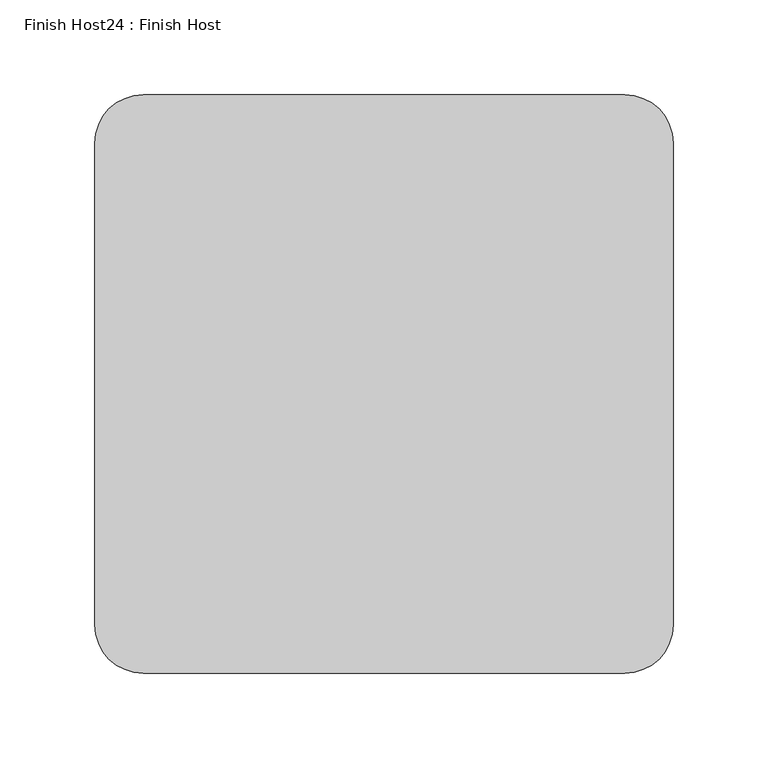
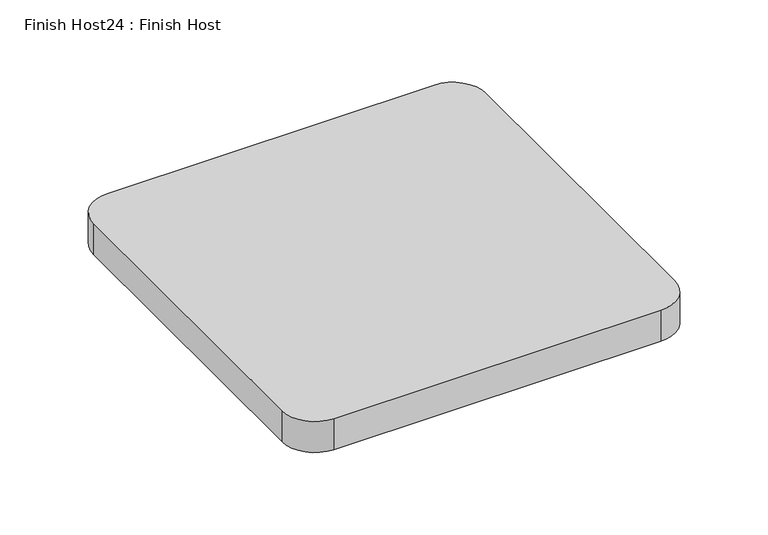
"""IFC4 building model written with IfcOpenShell, lengths in millimetres: proxy geometry, Finish Host24 : Finish Host."""

from ifc_helpers import new_model, si_unit, point, frame_2d, origin, origin_with_axes, place, context, project, spatial, polyline, circle_curve, trimmed, segment, composite_curve, outline, extrude, source, transform, mapped, element, save


def finish_host24_finish_host_a67df22e(model_context):
    return source(origin(), model_context, "Body", "SweptSolid", [
        extrude(outline(composite_curve([segment(polyline([(2892.8934426, 1867.2122951), (2892.8934426, 2121.2122951)]), True, "CONTINUOUS"), segment(trimmed(circle_curve(frame_2d((2918.2934426, 2121.2122951)), 25.4), [point((2892.8934426, 2121.2122951))], [point((2918.2934426, 2146.6122951))], False, "CARTESIAN"), True, "CONTINUOUS"), segment(polyline([(2918.2934426, 2146.6122951), (3172.2934426, 2146.6122951)]), True, "CONTINUOUS"), segment(trimmed(circle_curve(frame_2d((3172.2934426, 2121.2122951)), 25.4), [point((3172.2934426, 2146.6122951))], [point((3197.6934426, 2121.2122951))], False, "CARTESIAN"), True, "CONTINUOUS"), segment(polyline([(3197.6934426, 2121.2122951), (3197.6934426, 1867.2122951)]), True, "CONTINUOUS"), segment(trimmed(circle_curve(frame_2d((3172.2934426, 1867.2122951)), 25.4), [point((3197.6934426, 1867.2122951))], [point((3172.2934426, 1841.8122951))], False, "CARTESIAN"), True, "CONTINUOUS"), segment(polyline([(3172.2934426, 1841.8122951), (2918.2934426, 1841.8122951)]), True, "CONTINUOUS"), segment(trimmed(circle_curve(frame_2d((2918.2934426, 1867.2122951)), 25.4), [point((2918.2934426, 1841.8122951))], [point((2892.8934426, 1867.2122951))], False, "CARTESIAN"), True, "CONTINUOUS")], self_intersect=False)), origin_with_axes(), (0.0, 0.0, 1.0), 25.4),
    ])


if __name__ == "__main__":
    model = new_model("IFC4")
    model_context = context("Model", 3, world=origin())
    ifc_project = project(units=[si_unit("LENGTHUNIT", "METRE", prefix="MILLI")], contexts=[model_context])
    site = spatial("IfcSite", under=ifc_project)
    building = spatial("IfcBuilding", under=site)
    placement = place(None, origin())
    finish_host24_finish_host_shape = finish_host24_finish_host_a67df22e(model_context)
    element("IfcBuildingElementProxy", 1, Name="Finish Host24 : Finish Host", ObjectType="Finish Host24 : Finish Host", at=placement, inside=building, context=model_context, shape_type="MappedRepresentation", body=[
        mapped(finish_host24_finish_host_shape, transform((0.0, 0.0, 0.0), x_axis=(1.0, 0.0, 0.0), y_axis=(0.0, 1.0, 0.0), z_axis=(0.0, 0.0, 1.0))),
    ])
    save(model, "model.ifc")
